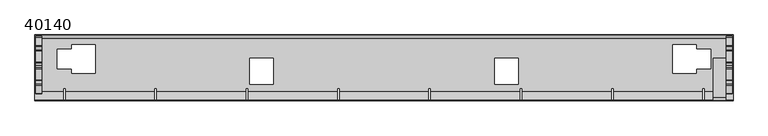
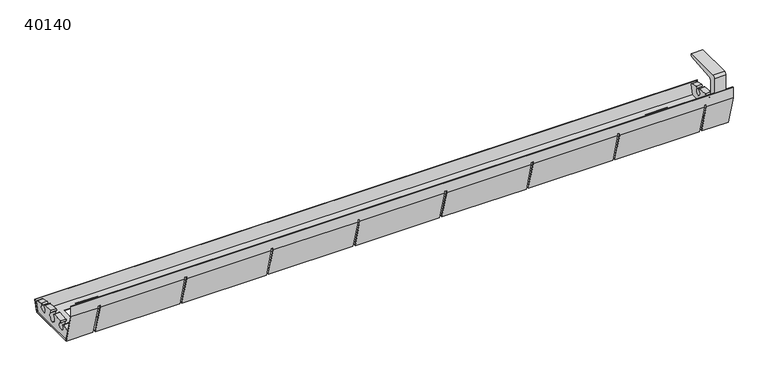
"""IFC4 building model written with IfcOpenShell, lengths in millimetres: furniture geometry, 40140."""

from ifc_helpers import new_model, si_unit, point, frame, frame_2d, origin, place, context, project, spatial, polyline, circle_curve, trimmed, segment, composite_curve, outline, extrude, faceted_brep, source, transform, mapped, element, save


def furniture_40140_fb29cebd(model_context):
    return source(origin(), model_context, "Body", "SolidModel", [
        extrude(outline(composite_curve([segment(polyline([(6.0, 127.6), (87.0, 127.6), (85.8219858, 123.3928064)]), True, "CONTINUOUS"), segment(trimmed(circle_curve(frame_2d((83.8960577, 123.9320662)), 2.0), [point((85.8219858, 123.3928064))], [point((84.0703692, 121.9396768))], False, "CARTESIAN"), True, "CONTINUOUS"), segment(polyline([(84.0703692, 121.9396768), (21.3027541, 116.4482221)]), True, "CONTINUOUS"), segment(trimmed(circle_curve(frame_2d((22.0, 108.4786645)), 8.0), [point((21.3027541, 116.4482221))], [point((14.0, 108.4786645))], True, "CARTESIAN"), True, "CONTINUOUS"), segment(polyline([(14.0, 108.4786645), (14.0, 84.4680422)]), True, "CONTINUOUS"), segment(trimmed(circle_curve(frame_2d((22.0, 84.4680422)), 8.0), [point((14.0, 84.4680422))], [point((14.2725934, 82.3974898))], True, "CARTESIAN"), True, "CONTINUOUS"), segment(polyline([(14.2725934, 82.3974898), (31.3787067, 18.5566058)]), True, "CONTINUOUS"), segment(trimmed(circle_curve(frame_2d((39.1061133, 20.6271582)), 8.0), [point((31.3787067, 18.5566058))], [point((37.9204592, 12.715507))], True, "CARTESIAN"), True, "CONTINUOUS"), segment(polyline([(37.9204592, 12.715507), (84.1345897, 5.7897752)]), True, "CONTINUOUS"), segment(trimmed(circle_curve(frame_2d((83.8381762, 3.8118624)), 2.0), [point((84.1345897, 5.7897752))], [point((85.7700278, 4.3295005))], False, "CARTESIAN"), True, "CONTINUOUS"), segment(polyline([(85.7700278, 4.3295005), (86.6085749, 1.2), (22.5765824, 1.2), (1.2725934, 80.7075696)]), True, "CONTINUOUS"), segment(trimmed(circle_curve(frame_2d((9.0, 82.7781219)), 8.0), [point((1.2725934, 80.7075696))], [point((1.0, 82.7781219))], False, "CARTESIAN"), True, "CONTINUOUS"), segment(polyline([(1.0, 82.7781219), (1.0, 122.6)]), True, "CONTINUOUS"), segment(trimmed(circle_curve(frame_2d((6.0, 122.6)), 5.0), [point((1.0, 122.6))], [point((6.0, 127.6))], False, "CARTESIAN"), True, "CONTINUOUS")], self_intersect=False)), frame((1385.0, 0.0, 0.0), z_axis=(1.0, 0.0, 0.0), x_axis=(0.0, 1.0, 0.0)), (0.0, 0.0, 1.0), 25.0),
        extrude(outline(composite_curve([segment(polyline([(19.7421934, 1.2), (14.2708238, 21.6194295)]), True, "CONTINUOUS"), segment(trimmed(circle_curve(frame_2d((16.2026754, 22.1370675)), 2.0), [point((14.2708238, 21.6194295))], [point((15.7218792, 24.0784163))], False, "CARTESIAN"), True, "CONTINUOUS"), segment(trimmed(circle_curve(frame_2d((72.7329114, -171.9023975)), 204.1047211), [point((15.7218792, 24.0784163))], [point((31.7264611, 28.0406149))], False, "CARTESIAN"), True, "CONTINUOUS"), segment(trimmed(circle_curve(frame_2d((32.1106564, 26.0778633)), 2.0), [point((31.7264611, 28.0406149))], [point((33.7699459, 24.9612799))], False, "CARTESIAN"), True, "CONTINUOUS"), segment(trimmed(circle_curve(frame_2d((39.2741288, 19.8667759)), 7.5), [point((33.7699459, 24.9612799))], [point((42.6489677, 26.5645712))], True, "CARTESIAN"), True, "CONTINUOUS"), segment(trimmed(circle_curve(frame_2d((43.8838713, 28.1377887)), 2.0), [point((42.6489677, 26.5645712))], [point((43.4584069, 30.0920097))], False, "CARTESIAN"), True, "CONTINUOUS"), segment(trimmed(circle_curve(frame_2d((72.7329114, -171.9023975)), 204.1047211), [point((43.4584069, 30.0920097))], [point((65.5069893, 32.0743738))], False, "CARTESIAN"), True, "CONTINUOUS"), segment(trimmed(circle_curve(frame_2d((65.5283849, 30.0744882)), 2.0), [point((65.5069893, 32.0743738))], [point((66.9521196, 28.6698603))], False, "CARTESIAN"), True, "CONTINUOUS"), segment(trimmed(circle_curve(frame_2d((74.2422272, 21.4775868)), 10.2408236), [point((66.9521196, 28.6698603))], [point((64.9357171, 25.7511494))], True, "CARTESIAN"), True, "CONTINUOUS"), segment(trimmed(circle_curve(frame_2d((72.7518575, 20.3513393)), 9.5), [point((64.9357171, 25.7511494))], [point((72.7518575, 10.8513393))], True, "CARTESIAN"), True, "CONTINUOUS"), segment(trimmed(circle_curve(frame_2d((72.7518575, 20.3513393)), 9.5), [point((72.7518575, 10.8513393))], [point((80.5679978, 25.7511494))], True, "CARTESIAN"), True, "CONTINUOUS"), segment(trimmed(circle_curve(frame_2d((71.2614878, 21.4775868)), 10.2408236), [point((80.5679978, 25.7511494))], [point((78.5515954, 28.6698603))], True, "CARTESIAN"), True, "CONTINUOUS"), segment(trimmed(circle_curve(frame_2d((79.97533, 30.0744882)), 2.0), [point((78.5515954, 28.6698603))], [point((79.9967256, 32.0743738))], False, "CARTESIAN"), True, "CONTINUOUS"), segment(trimmed(circle_curve(frame_2d((72.7708035, -171.9023975)), 204.1047211), [point((79.9967256, 32.0743738))], [point((102.045308, 30.0920097))], False, "CARTESIAN"), True, "CONTINUOUS"), segment(trimmed(circle_curve(frame_2d((101.6198437, 28.1377887)), 2.0), [point((102.045308, 30.0920097))], [point((102.8547472, 26.5645712))], False, "CARTESIAN"), True, "CONTINUOUS"), segment(trimmed(circle_curve(frame_2d((106.2295862, 19.8667759)), 7.5), [point((102.8547472, 26.5645712))], [point((111.7337691, 24.9612799))], True, "CARTESIAN"), True, "CONTINUOUS"), segment(trimmed(circle_curve(frame_2d((113.3930585, 26.0778633)), 2.0), [point((111.7337691, 24.9612799))], [point((113.7772538, 28.0406149))], False, "CARTESIAN"), True, "CONTINUOUS"), segment(trimmed(circle_curve(frame_2d((72.7708035, -171.9023975)), 204.1047211), [point((113.7772538, 28.0406149))], [point((129.7818357, 24.0784163))], False, "CARTESIAN"), True, "CONTINUOUS"), segment(trimmed(circle_curve(frame_2d((129.3010395, 22.1370675)), 2.0), [point((129.7818357, 24.0784163))], [point((131.2328912, 21.6194295))], False, "CARTESIAN"), True, "CONTINUOUS"), segment(polyline([(131.2328912, 21.6194295), (125.7615216, 1.2), (72.7518575, 1.2), (19.7421934, 1.2)]), True, "CONTINUOUS")], self_intersect=False)), frame((1411.0, 0.0, 0.0), z_axis=(1.0, 0.0, 0.0), x_axis=(0.0, 1.0, 0.0)), (0.0, 0.0, 1.0), 12.0),
        extrude(outline(composite_curve([segment(polyline([(19.7421934, 1.2), (14.2708238, 21.6194295)]), True, "CONTINUOUS"), segment(trimmed(circle_curve(frame_2d((16.2026754, 22.1370675)), 2.0), [point((14.2708238, 21.6194295))], [point((15.7218792, 24.0784163))], False, "CARTESIAN"), True, "CONTINUOUS"), segment(trimmed(circle_curve(frame_2d((72.7329114, -171.9023975)), 204.1047211), [point((15.7218792, 24.0784163))], [point((31.7264611, 28.0406149))], False, "CARTESIAN"), True, "CONTINUOUS"), segment(trimmed(circle_curve(frame_2d((32.1106564, 26.0778633)), 2.0), [point((31.7264611, 28.0406149))], [point((33.7699459, 24.9612799))], False, "CARTESIAN"), True, "CONTINUOUS"), segment(trimmed(circle_curve(frame_2d((39.2741288, 19.8667759)), 7.5), [point((33.7699459, 24.9612799))], [point((42.6489677, 26.5645712))], True, "CARTESIAN"), True, "CONTINUOUS"), segment(trimmed(circle_curve(frame_2d((43.8838713, 28.1377887)), 2.0), [point((42.6489677, 26.5645712))], [point((43.4584069, 30.0920097))], False, "CARTESIAN"), True, "CONTINUOUS"), segment(trimmed(circle_curve(frame_2d((72.7329114, -171.9023975)), 204.1047211), [point((43.4584069, 30.0920097))], [point((65.5069893, 32.0743738))], False, "CARTESIAN"), True, "CONTINUOUS"), segment(trimmed(circle_curve(frame_2d((65.5283849, 30.0744882)), 2.0), [point((65.5069893, 32.0743738))], [point((66.9521196, 28.6698603))], False, "CARTESIAN"), True, "CONTINUOUS"), segment(trimmed(circle_curve(frame_2d((74.2422272, 21.4775868)), 10.2408236), [point((66.9521196, 28.6698603))], [point((64.9357171, 25.7511494))], True, "CARTESIAN"), True, "CONTINUOUS"), segment(trimmed(circle_curve(frame_2d((72.7518575, 20.3513393)), 9.5), [point((64.9357171, 25.7511494))], [point((72.7518575, 10.8513393))], True, "CARTESIAN"), True, "CONTINUOUS"), segment(trimmed(circle_curve(frame_2d((72.7518575, 20.3513393)), 9.5), [point((72.7518575, 10.8513393))], [point((80.5679978, 25.7511494))], True, "CARTESIAN"), True, "CONTINUOUS"), segment(trimmed(circle_curve(frame_2d((71.2614878, 21.4775868)), 10.2408236), [point((80.5679978, 25.7511494))], [point((78.5515954, 28.6698603))], True, "CARTESIAN"), True, "CONTINUOUS"), segment(trimmed(circle_curve(frame_2d((79.97533, 30.0744882)), 2.0), [point((78.5515954, 28.6698603))], [point((79.9967256, 32.0743738))], False, "CARTESIAN"), True, "CONTINUOUS"), segment(trimmed(circle_curve(frame_2d((72.7708035, -171.9023975)), 204.1047211), [point((79.9967256, 32.0743738))], [point((102.045308, 30.0920097))], False, "CARTESIAN"), True, "CONTINUOUS"), segment(trimmed(circle_curve(frame_2d((101.6198437, 28.1377887)), 2.0), [point((102.045308, 30.0920097))], [point((102.8547472, 26.5645712))], False, "CARTESIAN"), True, "CONTINUOUS"), segment(trimmed(circle_curve(frame_2d((106.2295862, 19.8667759)), 7.5), [point((102.8547472, 26.5645712))], [point((111.7337691, 24.9612799))], True, "CARTESIAN"), True, "CONTINUOUS"), segment(trimmed(circle_curve(frame_2d((113.3930585, 26.0778633)), 2.0), [point((111.7337691, 24.9612799))], [point((113.7772538, 28.0406149))], False, "CARTESIAN"), True, "CONTINUOUS"), segment(trimmed(circle_curve(frame_2d((72.7708035, -171.9023975)), 204.1047211), [point((113.7772538, 28.0406149))], [point((129.7818357, 24.0784163))], False, "CARTESIAN"), True, "CONTINUOUS"), segment(trimmed(circle_curve(frame_2d((129.3010395, 22.1370675)), 2.0), [point((129.7818357, 24.0784163))], [point((131.2328912, 21.6194295))], False, "CARTESIAN"), True, "CONTINUOUS"), segment(polyline([(131.2328912, 21.6194295), (125.7615216, 1.2), (72.7518575, 1.2), (19.7421934, 1.2)]), True, "CONTINUOUS")], self_intersect=False)), frame((2.0, 0.0, 0.0), z_axis=(1.0, 0.0, 0.0), x_axis=(0.0, 1.0, 0.0)), (0.0, 0.0, 1.0), 12.0),
        faceted_brep([(1425.0, 0.0, 66.3491624), (1425.0, 17.7782045, 0.0), (1425.0, 127.732561, 0.0), (1425.0, 134.4618575, 25.1140765), (1425.0, 133.3027465, 25.4246594), (1425.0, 126.8117686, 1.2), (1425.0, 18.6989969, 1.2), (1425.0, 1.2, 66.5071454), (1425.0, 1.2, 90.0), (1425.0, 0.0, 90.0), (0.0, 0.0, 66.3491624), (0.0, 0.0, 90.0), (0.0, 1.2, 90.0), (0.0, 1.2, 66.5071454), (0.0, 18.6989969, 1.2), (0.0, 126.8117686, 1.2), (0.0, 133.3027465, 25.4246594), (0.0, 134.4618575, 25.1140765), (0.0, 127.732561, 0.0), (0.0, 17.7782045, 0.0), (1367.5, 0.0, 66.3491624), (1367.5, 17.7782045, 0.0), (57.5, 17.7782045, 0.0), (57.5, 0.0, 66.3491624), (62.5, 0.0, 66.3491624), (62.5, 17.7782045, 0.0), (243.9285714, 17.7782045, 0.0), (243.9285714, 0.0, 66.3491624), (1362.5, 17.7782045, 0.0), (1362.5, 0.0, 66.3491624), (1181.0714286, 0.0, 66.3491624), (1181.0714286, 17.7782045, 0.0), (248.9285714, 0.0, 66.3491624), (248.9285714, 17.7782045, 0.0), (430.3571429, 17.7782045, 0.0), (430.3571429, 0.0, 66.3491624), (435.3571429, 0.0, 66.3491624), (435.3571429, 17.7782045, 0.0), (616.7857143, 17.7782045, 0.0), (616.7857143, 0.0, 66.3491624), (621.7857143, 0.0, 66.3491624), (621.7857143, 17.7782045, 0.0), (803.2142857, 17.7782045, 0.0), (803.2142857, 0.0, 66.3491624), (808.2142857, 0.0, 66.3491624), (808.2142857, 17.7782045, 0.0), (989.6428571, 17.7782045, 0.0), (989.6428571, 0.0, 66.3491624), (994.6428571, 0.0, 66.3491624), (994.6428571, 17.7782045, 0.0), (1176.0714286, 17.7782045, 0.0), (1176.0714286, 0.0, 66.3491624), (1367.5, 26.0, 0.0), (1362.5, 26.0, 0.0), (1181.0714286, 26.0, 0.0), (1176.0714286, 26.0, 0.0), (994.6428571, 26.0, 0.0), (989.6428571, 26.0, 0.0), (808.2142857, 26.0, 0.0), (803.2142857, 26.0, 0.0), (621.7857143, 26.0, 0.0), (616.7857143, 26.0, 0.0), (435.3571429, 26.0, 0.0), (430.3571429, 26.0, 0.0), (248.9285714, 26.0, 0.0), (243.9285714, 26.0, 0.0), (62.5, 26.0, 0.0), (57.5, 26.0, 0.0), (75.5, 105.4618575, 0.0), (46.0, 105.4618575, 0.0), (46.0, 65.4618575, 0.0), (75.5, 65.4618575, 0.0), (75.5, 56.4618575, 0.0), (123.5, 56.4618575, 0.0), (123.5, 114.4618575, 0.0), (75.5, 114.4618575, 0.0), (1301.5, 114.4618575, 0.0), (1301.5, 56.4618575, 0.0), (1349.5, 56.4618575, 0.0), (1349.5, 65.4618575, 0.0), (1379.0, 65.4618575, 0.0), (1379.0, 105.4618575, 0.0), (1349.5, 105.4618575, 0.0), (1349.5, 114.4618575, 0.0), (486.5, 86.4618575, 0.0), (438.5, 86.4618575, 0.0), (438.5, 33.4618575, 0.0), (486.5, 33.4618575, 0.0), (986.5, 86.4618575, 0.0), (938.5, 86.4618575, 0.0), (938.5, 33.4618575, 0.0), (986.5, 33.4618575, 0.0), (57.5, 18.6989969, 1.2), (57.5, 26.0, 1.2), (62.5, 26.0, 1.2), (62.5, 18.6989969, 1.2), (243.9285714, 18.6989969, 1.2), (243.9285714, 26.0, 1.2), (248.9285714, 26.0, 1.2), (248.9285714, 18.6989969, 1.2), (430.3571429, 18.6989969, 1.2), (430.3571429, 26.0, 1.2), (435.3571429, 26.0, 1.2), (435.3571429, 18.6989969, 1.2), (616.7857143, 18.6989969, 1.2), (616.7857143, 26.0, 1.2), (621.7857143, 26.0, 1.2), (621.7857143, 18.6989969, 1.2), (803.2142857, 18.6989969, 1.2), (803.2142857, 26.0, 1.2), (808.2142857, 26.0, 1.2), (808.2142857, 18.6989969, 1.2), (989.6428571, 18.6989969, 1.2), (989.6428571, 26.0, 1.2), (994.6428571, 26.0, 1.2), (994.6428571, 18.6989969, 1.2), (1176.0714286, 18.6989969, 1.2), (1176.0714286, 26.0, 1.2), (1181.0714286, 26.0, 1.2), (1181.0714286, 18.6989969, 1.2), (1362.5, 18.6989969, 1.2), (1362.5, 26.0, 1.2), (1367.5, 26.0, 1.2), (1367.5, 18.6989969, 1.2), (46.0, 105.4618575, 1.2), (75.5, 105.4618575, 1.2), (75.5, 114.4618575, 1.2), (123.5, 114.4618575, 1.2), (123.5, 56.4618575, 1.2), (75.5, 56.4618575, 1.2), (75.5, 65.4618575, 1.2), (46.0, 65.4618575, 1.2), (1301.5, 56.4618575, 1.2), (1301.5, 114.4618575, 1.2), (1349.5, 114.4618575, 1.2), (1349.5, 105.4618575, 1.2), (1379.0, 105.4618575, 1.2), (1379.0, 65.4618575, 1.2), (1349.5, 65.4618575, 1.2), (1349.5, 56.4618575, 1.2), (438.5, 86.4618575, 1.2), (486.5, 86.4618575, 1.2), (486.5, 33.4618575, 1.2), (438.5, 33.4618575, 1.2), (938.5, 86.4618575, 1.2), (986.5, 86.4618575, 1.2), (986.5, 33.4618575, 1.2), (938.5, 33.4618575, 1.2), (1367.5, 1.2, 66.5071454), (57.5, 1.2, 66.5071454), (62.5, 1.2, 66.5071454), (243.9285714, 1.2, 66.5071454), (1362.5, 1.2, 66.5071454), (1181.0714286, 1.2, 66.5071454), (248.9285714, 1.2, 66.5071454), (430.3571429, 1.2, 66.5071454), (435.3571429, 1.2, 66.5071454), (616.7857143, 1.2, 66.5071454), (621.7857143, 1.2, 66.5071454), (803.2142857, 1.2, 66.5071454), (808.2142857, 1.2, 66.5071454), (989.6428571, 1.2, 66.5071454), (994.6428571, 1.2, 66.5071454), (1176.0714286, 1.2, 66.5071454), (1367.5, 1.2, 71.0), (1362.5, 1.2, 71.0), (1181.0714286, 1.2, 71.0), (1176.0714286, 1.2, 71.0), (994.6428571, 1.2, 71.0), (989.6428571, 1.2, 71.0), (808.2142857, 1.2, 71.0), (803.2142857, 1.2, 71.0), (621.7857143, 1.2, 71.0), (616.7857143, 1.2, 71.0), (435.3571429, 1.2, 71.0), (430.3571429, 1.2, 71.0), (248.9285714, 1.2, 71.0), (243.9285714, 1.2, 71.0), (62.5, 1.2, 71.0), (57.5, 1.2, 71.0), (57.5, 0.0, 71.0), (62.5, 0.0, 71.0), (243.9285714, 0.0, 71.0), (248.9285714, 0.0, 71.0), (430.3571429, 0.0, 71.0), (435.3571429, 0.0, 71.0), (616.7857143, 0.0, 71.0), (621.7857143, 0.0, 71.0), (803.2142857, 0.0, 71.0), (808.2142857, 0.0, 71.0), (989.6428571, 0.0, 71.0), (994.6428571, 0.0, 71.0), (1176.0714286, 0.0, 71.0), (1181.0714286, 0.0, 71.0), (1362.5, 0.0, 71.0), (1367.5, 0.0, 71.0)], [[[0, 1, 2, 3, 4, 5, 6, 7, 8, 9]], [[10, 11, 12, 13, 14, 15, 16, 17, 18, 19]], [[1, 0, 20, 21]], [[10, 19, 22, 23]], [[24, 25, 26, 27]], [[28, 29, 30, 31]], [[32, 33, 34, 35]], [[36, 37, 38, 39]], [[40, 41, 42, 43]], [[44, 45, 46, 47]], [[48, 49, 50, 51]], [[2, 1, 21, 52, 53, 28, 31, 54, 55, 50, 49, 56, 57, 46, 45, 58, 59, 42, 41, 60, 61, 38, 37, 62, 63, 34, 33, 64, 65, 26, 25, 66, 67, 22, 19, 18], [68, 69, 70, 71, 72, 73, 74, 75], [76, 77, 78, 79, 80, 81, 82, 83], [84, 85, 86, 87], [88, 89, 90, 91]], [[3, 2, 18, 17]], [[4, 3, 17, 16]], [[5, 4, 16, 15]], [[6, 5, 15, 14, 92, 93, 94, 95, 96, 97, 98, 99, 100, 101, 102, 103, 104, 105, 106, 107, 108, 109, 110, 111, 112, 113, 114, 115, 116, 117, 118, 119, 120, 121, 122, 123], [124, 125, 126, 127, 128, 129, 130, 131], [132, 133, 134, 135, 136, 137, 138, 139], [140, 141, 142, 143], [144, 145, 146, 147]], [[7, 6, 123, 148]], [[14, 13, 149, 92]], [[95, 150, 151, 96]], [[152, 120, 119, 153]], [[99, 154, 155, 100]], [[103, 156, 157, 104]], [[107, 158, 159, 108]], [[111, 160, 161, 112]], [[115, 162, 163, 116]], [[8, 7, 148, 164, 165, 152, 153, 166, 167, 163, 162, 168, 169, 161, 160, 170, 171, 159, 158, 172, 173, 157, 156, 174, 175, 155, 154, 176, 177, 151, 150, 178, 179, 149, 13, 12]], [[9, 8, 12, 11]], [[0, 9, 11, 10, 23, 180, 181, 24, 27, 182, 183, 32, 35, 184, 185, 36, 39, 186, 187, 40, 43, 188, 189, 44, 47, 190, 191, 48, 51, 192, 193, 30, 29, 194, 195, 20]], [[68, 125, 124, 69]], [[69, 124, 131, 70]], [[70, 131, 130, 71]], [[71, 130, 129, 72]], [[72, 129, 128, 73]], [[73, 128, 127, 74]], [[74, 127, 126, 75]], [[125, 68, 75, 126]], [[76, 133, 132, 77]], [[77, 132, 139, 78]], [[78, 139, 138, 79]], [[79, 138, 137, 80]], [[80, 137, 136, 81]], [[81, 136, 135, 82]], [[82, 135, 134, 83]], [[133, 76, 83, 134]], [[84, 141, 140, 85]], [[85, 140, 143, 86]], [[86, 143, 142, 87]], [[141, 84, 87, 142]], [[88, 145, 144, 89]], [[89, 144, 147, 90]], [[90, 147, 146, 91]], [[145, 88, 91, 146]], [[178, 181, 180, 179]], [[66, 94, 93, 67]], [[179, 180, 23, 22, 67, 93, 92, 149]], [[181, 178, 150, 95, 94, 66, 25, 24]], [[164, 195, 194, 165]], [[52, 122, 121, 53]], [[165, 194, 29, 28, 53, 121, 120, 152]], [[195, 164, 148, 123, 122, 52, 21, 20]], [[176, 183, 182, 177]], [[64, 98, 97, 65]], [[177, 182, 27, 26, 65, 97, 96, 151]], [[183, 176, 154, 99, 98, 64, 33, 32]], [[174, 185, 184, 175]], [[62, 102, 101, 63]], [[175, 184, 35, 34, 63, 101, 100, 155]], [[185, 174, 156, 103, 102, 62, 37, 36]], [[172, 187, 186, 173]], [[60, 106, 105, 61]], [[173, 186, 39, 38, 61, 105, 104, 157]], [[187, 172, 158, 107, 106, 60, 41, 40]], [[170, 189, 188, 171]], [[58, 110, 109, 59]], [[171, 188, 43, 42, 59, 109, 108, 159]], [[189, 170, 160, 111, 110, 58, 45, 44]], [[168, 191, 190, 169]], [[56, 114, 113, 57]], [[169, 190, 47, 46, 57, 113, 112, 161]], [[191, 168, 162, 115, 114, 56, 49, 48]], [[166, 193, 192, 167]], [[54, 118, 117, 55]], [[167, 192, 51, 50, 55, 117, 116, 163]], [[193, 166, 153, 119, 118, 54, 31, 30]]]),
    ])


if __name__ == "__main__":
    model = new_model("IFC4")
    model_context = context("Model", 3, world=origin())
    ifc_project = project(units=[si_unit("LENGTHUNIT", "METRE", prefix="MILLI")], contexts=[model_context])
    site = spatial("IfcSite", under=ifc_project)
    building = spatial("IfcBuilding", under=site)
    placement = place(None, origin())
    furniture_40140_shape = furniture_40140_fb29cebd(model_context)
    element("IfcFurniture", 1, ObjectType="40140", at=placement, inside=building, context=model_context, shape_type="MappedRepresentation", body=[
        mapped(furniture_40140_shape, transform((0.0, 0.0, 0.0), x_axis=(1.0, 0.0, 0.0), y_axis=(0.0, 1.0, 0.0), z_axis=(0.0, 0.0, 1.0))),
    ])
    save(model, "model.ifc")
